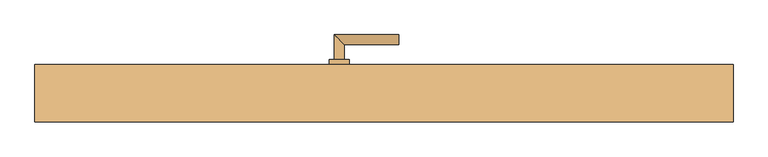
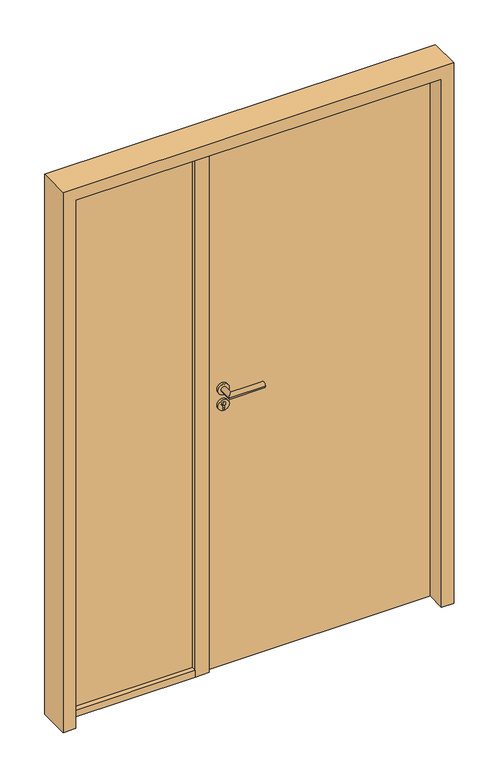
"""IFC4 building model written with IfcOpenShell, lengths in millimetres: door geometry."""

from ifc_helpers import new_model, si_unit, point, frame, frame_2d, origin, origin_with_axes, place, context, project, spatial, polyline, circle_curve, ellipse_curve, trimmed, segment, composite_curve, outline, extrude, faceted_brep, source, transform, mapped, element, save
from ifc_brep_helpers import plane_surface, cylinder_surface, advanced_brep


def door_a5218b1f(model_context):
    return source(origin(), model_context, "Body", "SolidModel", [
        extrude(outline(polyline([(701.0, 57.5), (701.0, 12.5), (-121.0, 12.5), (-121.0, 57.5), (701.0, 57.5)])), origin_with_axes(), (0.0, 0.0, 1.0), 2011.0),
        advanced_brep(
        [(-45.0, 67.5, 1050.0), (-65.0, 67.5, 1050.0), (-45.0, 97.5, 1050.0), (-65.0, 117.5, 1050.0), (65.0, 97.5, 1050.0), (65.0, 117.5, 1050.0)],
        [
            (0, 1, circle_curve(frame((-55.0, 67.5, 1050.0), z_axis=(0.0, -1.0, 0.0), x_axis=(-1.0, 0.0, 0.0)), 10.0)),
            (1, 0, circle_curve(frame((-55.0, 67.5, 1050.0), z_axis=(0.0, -1.0, 0.0), x_axis=(-1.0, 0.0, 0.0)), 10.0)),
            (0, 2),
            (2, 3, ellipse_curve(frame((-55.0, 107.5, 1050.0), z_axis=(-0.7071067811865531, -0.7071067811865419, 0.0), x_axis=(0.707106781186542, -0.707106781186553, 0.0)), 14.1421356, 10.0)),
            (3, 1),
            (3, 2, ellipse_curve(frame((-55.0, 107.5, 1050.0), z_axis=(-0.7071067811865531, -0.7071067811865419, 0.0), x_axis=(0.707106781186542, -0.707106781186553, 0.0)), 14.1421356, 10.0)),
            (4, 5, circle_curve(frame((65.0, 107.5, 1050.0), z_axis=(1.0, 0.0, 0.0), x_axis=(0.0, 1.0, 0.0)), 10.0)),
            (5, 4, circle_curve(frame((65.0, 107.5, 1050.0), z_axis=(1.0, 0.0, 0.0), x_axis=(0.0, 1.0, 0.0)), 10.0)),
            (2, 4),
            (5, 3),
        ],
        [
            plane_surface(frame((-55.0, 67.5, 1050.0), z_axis=(0.0, -1.0, 0.0), x_axis=(0.0, 0.0, 1.0))),
            cylinder_surface(frame((-55.0, 67.5, 1050.0), z_axis=(0.0, -1.0, 0.0), x_axis=(-1.0, 0.0, 0.0)), 10.0),
            plane_surface(frame((65.0, 107.5, 1050.0), z_axis=(1.0, 0.0, 0.0), x_axis=(0.0, 0.0, 1.0))),
            cylinder_surface(frame((-55.0, 107.5, 1050.0), z_axis=(-1.0, 0.0, 0.0), x_axis=(0.0, 1.0, 0.0)), 10.0),
        ],
        [
            (0, [[1, 2]]),
            (1, [[-1, 3, 4, 5]]),
            (1, [[-2, -5, 6, -3]]),
            (2, [[7, 8]]),
            (3, [[-4, 9, -8, 10]]),
            (3, [[-6, -10, -7, -9]]),
        ],
    ),
        extrude(outline(composite_curve([segment(trimmed(circle_curve(frame_2d((990.0, -55.0)), 20.0), [point((990.0, -75.0))], [point((990.0, -35.0))], False, "CARTESIAN"), True, "CONTINUOUS"), segment(trimmed(circle_curve(frame_2d((990.0, -55.0)), 20.0), [point((990.0, -35.0))], [point((990.0, -75.0))], False, "CARTESIAN"), True, "CONTINUOUS")], self_intersect=False), holes=[composite_curve([segment(polyline([(976.4601385, -57.397268), (988.4749012, -57.397268)]), True, "CONTINUOUS"), segment(trimmed(circle_curve(frame_2d((995.0361633, -55.0)), 6.9854888), [point((988.4749012, -57.397268))], [point((988.4749012, -52.602732))], True, "CARTESIAN"), True, "CONTINUOUS"), segment(polyline([(988.4749012, -52.602732), (976.4601385, -52.602732)]), True, "CONTINUOUS"), segment(trimmed(circle_curve(frame_2d((976.4601385, -55.0)), 2.397268), [point((976.4601385, -52.602732))], [point((976.4601385, -57.397268))], True, "CARTESIAN"), True, "CONTINUOUS")], self_intersect=False)]), frame((0.0, 57.5, 0.0), z_axis=(0.0, 1.0, 0.0), x_axis=(0.0, 0.0, 1.0)), (0.0, 0.0, 1.0), 10.0),
        advanced_brep(
        [(-45.0, 67.5, 1050.0), (-65.0, 67.5, 1050.0), (-45.0, 97.5, 1050.0), (-65.0, 117.5, 1050.0), (65.0, 97.5, 1050.0), (65.0, 117.5, 1050.0)],
        [
            (0, 1, circle_curve(frame((-55.0, 67.5, 1050.0), z_axis=(0.0, -1.0, 0.0), x_axis=(-1.0, 0.0, 0.0)), 10.0)),
            (1, 0, circle_curve(frame((-55.0, 67.5, 1050.0), z_axis=(0.0, -1.0, 0.0), x_axis=(-1.0, 0.0, 0.0)), 10.0)),
            (0, 2),
            (2, 3, ellipse_curve(frame((-55.0, 107.5, 1050.0), z_axis=(-0.7071067811865537, -0.7071067811865414, 0.0), x_axis=(0.7071067811865414, -0.7071067811865536, 0.0)), 14.1421356, 10.0)),
            (3, 1),
            (3, 2, ellipse_curve(frame((-55.0, 107.5, 1050.0), z_axis=(-0.7071067811865537, -0.7071067811865414, 0.0), x_axis=(0.7071067811865414, -0.7071067811865536, 0.0)), 14.1421356, 10.0)),
            (4, 5, circle_curve(frame((65.0, 107.5, 1050.0), z_axis=(1.0, 0.0, 0.0), x_axis=(0.0, 1.0, 0.0)), 10.0)),
            (5, 4, circle_curve(frame((65.0, 107.5, 1050.0), z_axis=(1.0, 0.0, 0.0), x_axis=(0.0, 1.0, 0.0)), 10.0)),
            (2, 4),
            (5, 3),
        ],
        [
            plane_surface(frame((-55.0, 67.5, 1050.0), z_axis=(0.0, -1.0, 0.0), x_axis=(0.0, 0.0, 1.0))),
            cylinder_surface(frame((-55.0, 67.5, 1050.0), z_axis=(0.0, -1.0, 0.0), x_axis=(-1.0, 0.0, 0.0)), 10.0),
            plane_surface(frame((65.0, 107.5, 1050.0), z_axis=(1.0, 0.0, 0.0), x_axis=(0.0, 0.0, 1.0))),
            cylinder_surface(frame((-55.0, 107.5, 1050.0), z_axis=(-1.0, 0.0, 0.0), x_axis=(0.0, 1.0, 0.0)), 10.0),
        ],
        [
            (0, [[1, 2]]),
            (1, [[-1, 3, 4, 5]]),
            (1, [[-2, -5, 6, -3]]),
            (2, [[7, 8]]),
            (3, [[-4, 9, -8, 10]]),
            (3, [[-6, -10, -7, -9]]),
        ],
    ),
        extrude(outline(composite_curve([segment(trimmed(circle_curve(frame_2d((1050.0, -55.0)), 20.0), [point((1050.0, -75.0))], [point((1050.0, -35.0))], False, "CARTESIAN"), True, "CONTINUOUS"), segment(trimmed(circle_curve(frame_2d((1050.0, -55.0)), 20.0), [point((1050.0, -35.0))], [point((1050.0, -75.0))], False, "CARTESIAN"), True, "CONTINUOUS")], self_intersect=False)), frame((0.0, 57.5, 0.0), z_axis=(0.0, 1.0, 0.0), x_axis=(0.0, 0.0, 1.0)), (0.0, 0.0, 1.0), 10.0),
        advanced_brep(
        [(-45.0, 2.5, 1050.0), (-65.0, 2.5, 1050.0), (-65.0, -47.5, 1050.0), (-45.0, -27.5, 1050.0), (65.0, -27.5, 1050.0), (65.0, -47.5, 1050.0)],
        [
            (0, 1, circle_curve(frame((-55.0, 2.5, 1050.0), z_axis=(0.0, 1.0, 0.0), x_axis=(-1.0, 0.0, 0.0)), 10.0)),
            (1, 0, circle_curve(frame((-55.0, 2.5, 1050.0), z_axis=(0.0, 1.0, 0.0), x_axis=(-1.0, 0.0, 0.0)), 10.0)),
            (1, 2),
            (2, 3, ellipse_curve(frame((-55.0, -37.5, 1050.0), z_axis=(-0.7071067811865486, 0.7071067811865464, 0.0), x_axis=(0.7071067811865464, 0.7071067811865488, 0.0)), 14.1421356, 10.0)),
            (3, 0),
            (3, 2, ellipse_curve(frame((-55.0, -37.5, 1050.0), z_axis=(-0.7071067811865486, 0.7071067811865464, 0.0), x_axis=(0.7071067811865464, 0.7071067811865488, 0.0)), 14.1421356, 10.0)),
            (4, 5, circle_curve(frame((65.0, -37.5, 1050.0), z_axis=(1.0, 0.0, 0.0), x_axis=(0.0, -1.0, 0.0)), 10.0)),
            (5, 4, circle_curve(frame((65.0, -37.5, 1050.0), z_axis=(1.0, 0.0, 0.0), x_axis=(0.0, -1.0, 0.0)), 10.0)),
            (2, 5),
            (4, 3),
        ],
        [
            plane_surface(frame((-55.0, 2.5, 1050.0), z_axis=(0.0, 1.0, 0.0), x_axis=(0.0, 0.0, 1.0))),
            cylinder_surface(frame((-55.0, 2.5, 1050.0), z_axis=(0.0, 1.0, 0.0), x_axis=(-1.0, 0.0, 0.0)), 10.0),
            plane_surface(frame((65.0, -37.5, 1050.0), z_axis=(1.0, 0.0, 0.0), x_axis=(0.0, 0.0, 1.0))),
            cylinder_surface(frame((-55.0, -37.5, 1050.0), z_axis=(-1.0, 0.0, 0.0), x_axis=(0.0, -1.0, 0.0)), 10.0),
        ],
        [
            (0, [[1, 2]]),
            (1, [[3, 4, 5, -2]]),
            (1, [[-5, 6, -3, -1]]),
            (2, [[7, 8]]),
            (3, [[9, -7, 10, -4]]),
            (3, [[-10, -8, -9, -6]]),
        ],
    ),
        extrude(outline(composite_curve([segment(trimmed(circle_curve(frame_2d((990.0, -55.0)), 20.0), [point((990.0, -75.0))], [point((990.0, -35.0))], False, "CARTESIAN"), True, "CONTINUOUS"), segment(trimmed(circle_curve(frame_2d((990.0, -55.0)), 20.0), [point((990.0, -35.0))], [point((990.0, -75.0))], False, "CARTESIAN"), True, "CONTINUOUS")], self_intersect=False), holes=[composite_curve([segment(polyline([(976.4601385, -57.397268), (988.4749012, -57.397268)]), True, "CONTINUOUS"), segment(trimmed(circle_curve(frame_2d((995.0361633, -55.0)), 6.9854888), [point((988.4749012, -57.397268))], [point((988.4749012, -52.602732))], True, "CARTESIAN"), True, "CONTINUOUS"), segment(polyline([(988.4749012, -52.602732), (976.4601385, -52.602732)]), True, "CONTINUOUS"), segment(trimmed(circle_curve(frame_2d((976.4601385, -55.0)), 2.397268), [point((976.4601385, -52.602732))], [point((976.4601385, -57.397268))], True, "CARTESIAN"), True, "CONTINUOUS")], self_intersect=False)]), frame((0.0, 2.5, 0.0), z_axis=(0.0, 1.0, 0.0), x_axis=(0.0, 0.0, 1.0)), (0.0, 0.0, 1.0), 10.0),
        advanced_brep(
        [(-45.0, 2.5, 1050.0), (-65.0, 2.5, 1050.0), (-65.0, -47.5, 1050.0), (-45.0, -27.5, 1050.0), (65.0, -27.5, 1050.0), (65.0, -47.5, 1050.0)],
        [
            (0, 1, circle_curve(frame((-55.0, 2.5, 1050.0), z_axis=(0.0, 1.0, 0.0), x_axis=(-1.0, 0.0, 0.0)), 10.0)),
            (1, 0, circle_curve(frame((-55.0, 2.5, 1050.0), z_axis=(0.0, 1.0, 0.0), x_axis=(-1.0, 0.0, 0.0)), 10.0)),
            (1, 2),
            (2, 3, ellipse_curve(frame((-55.0, -37.5, 1050.0), z_axis=(-0.7071067811865491, 0.7071067811865459, 0.0), x_axis=(0.7071067811865458, 0.7071067811865492, 0.0)), 14.1421356, 10.0)),
            (3, 0),
            (3, 2, ellipse_curve(frame((-55.0, -37.5, 1050.0), z_axis=(-0.7071067811865491, 0.7071067811865459, 0.0), x_axis=(0.7071067811865458, 0.7071067811865492, 0.0)), 14.1421356, 10.0)),
            (4, 5, circle_curve(frame((65.0, -37.5, 1050.0), z_axis=(1.0, 0.0, 0.0), x_axis=(0.0, -1.0, 0.0)), 10.0)),
            (5, 4, circle_curve(frame((65.0, -37.5, 1050.0), z_axis=(1.0, 0.0, 0.0), x_axis=(0.0, -1.0, 0.0)), 10.0)),
            (2, 5),
            (4, 3),
        ],
        [
            plane_surface(frame((-55.0, 2.5, 1050.0), z_axis=(0.0, 1.0, 0.0), x_axis=(0.0, 0.0, 1.0))),
            cylinder_surface(frame((-55.0, 2.5, 1050.0), z_axis=(0.0, 1.0, 0.0), x_axis=(-1.0, 0.0, 0.0)), 10.0),
            plane_surface(frame((65.0, -37.5, 1050.0), z_axis=(1.0, 0.0, 0.0), x_axis=(0.0, 0.0, 1.0))),
            cylinder_surface(frame((-55.0, -37.5, 1050.0), z_axis=(-1.0, 0.0, 0.0), x_axis=(0.0, -1.0, 0.0)), 10.0),
        ],
        [
            (0, [[1, 2]]),
            (1, [[3, 4, 5, -2]]),
            (1, [[-5, 6, -3, -1]]),
            (2, [[7, 8]]),
            (3, [[9, -7, 10, -4]]),
            (3, [[-10, -8, -9, -6]]),
        ],
    ),
        extrude(outline(composite_curve([segment(trimmed(circle_curve(frame_2d((1050.0, -55.0)), 20.0), [point((1050.0, -75.0))], [point((1050.0, -35.0))], False, "CARTESIAN"), True, "CONTINUOUS"), segment(trimmed(circle_curve(frame_2d((1050.0, -55.0)), 20.0), [point((1050.0, -35.0))], [point((1050.0, -75.0))], False, "CARTESIAN"), True, "CONTINUOUS")], self_intersect=False)), frame((0.0, 2.5, 0.0), z_axis=(0.0, 1.0, 0.0), x_axis=(0.0, 0.0, 1.0)), (0.0, 0.0, 1.0), 10.0),
        extrude(outline(polyline([(-160.0, 57.5), (-160.0, -2.5), (-620.0, -2.5), (-620.0, 57.5), (-160.0, 57.5)])), origin_with_axes(), (0.0, 0.0, 1.0), 25.0),
        extrude(outline(polyline([(-160.0, 39.5), (-160.0, 15.5), (-620.0, 15.5), (-620.0, 39.5), (-160.0, 39.5)])), frame((0.0, 0.0, 25.0), z_axis=(0.0, 0.0, 1.0), x_axis=(1.0, 0.0, 0.0)), (0.0, 0.0, 1.0), 1975.0),
        faceted_brep([(-665.0, -57.5, 0.0), (-665.0, 57.5, 0.0), (-620.0, 57.5, 0.0), (-620.0, -57.5, 0.0), (-665.0, -57.5, 2045.0), (-665.0, 57.5, 2045.0), (735.0, 57.5, 2045.0), (735.0, 57.5, 0.0), (705.0, 57.5, 0.0), (705.0, 57.5, 2015.0), (-125.0, 57.5, 2015.0), (-125.0, 57.5, 0.0), (-160.0, 57.5, 0.0), (-160.0, 57.5, 2000.0), (-620.0, 57.5, 2000.0), (-620.0, -57.5, 2000.0), (690.0, -57.5, 2000.0), (690.0, -57.5, 0.0), (735.0, -57.5, 0.0), (735.0, -57.5, 2045.0), (690.0, 12.5, 0.0), (705.0, 12.5, 0.0), (705.0, 12.5, 2015.0), (-125.0, 12.5, 0.0), (-125.0, 12.5, 2015.0), (-110.0, 12.5, 0.0), (-110.0, -2.5, 0.0), (-160.0, -2.5, 0.0), (-160.0, -2.5, 2000.0), (690.0, 12.5, 2000.0), (-110.0, 12.5, 2000.0), (-110.0, -2.5, 2000.0)], [[[0, 1, 2, 3]], [[1, 0, 4, 5]], [[2, 1, 5, 6, 7, 8, 9, 10, 11, 12, 13, 14]], [[3, 2, 14, 15]], [[4, 0, 3, 15, 16, 17, 18, 19]], [[7, 6, 19, 18]], [[8, 7, 18, 17, 20, 21]], [[9, 8, 21, 22]], [[23, 11, 10, 24]], [[12, 11, 23, 25, 26, 27]], [[12, 27, 28, 13]], [[17, 16, 29, 20]], [[21, 20, 29, 30, 25, 23, 24, 22]], [[26, 25, 30, 31]], [[27, 26, 31, 28]], [[6, 5, 4, 19]], [[15, 14, 13, 28, 31, 30, 29, 16]], [[9, 22, 24, 10]]]),
    ])


if __name__ == "__main__":
    model = new_model("IFC4")
    model_context = context("Model", 3, world=origin())
    ifc_project = project(units=[si_unit("LENGTHUNIT", "METRE", prefix="MILLI")], contexts=[model_context])
    site = spatial("IfcSite", under=ifc_project)
    building = spatial("IfcBuilding", under=site)
    placement = place(None, origin())
    door_shape = door_a5218b1f(model_context)
    element("IfcDoor", 1, at=placement, inside=building, context=model_context, shape_type="MappedRepresentation", body=[
        mapped(door_shape, transform((0.0, 0.0, 0.0), x_axis=(1.0, 0.0, 0.0), y_axis=(0.0, 1.0, 0.0), z_axis=(0.0, 0.0, 1.0))),
    ])
    save(model, "model.ifc")
